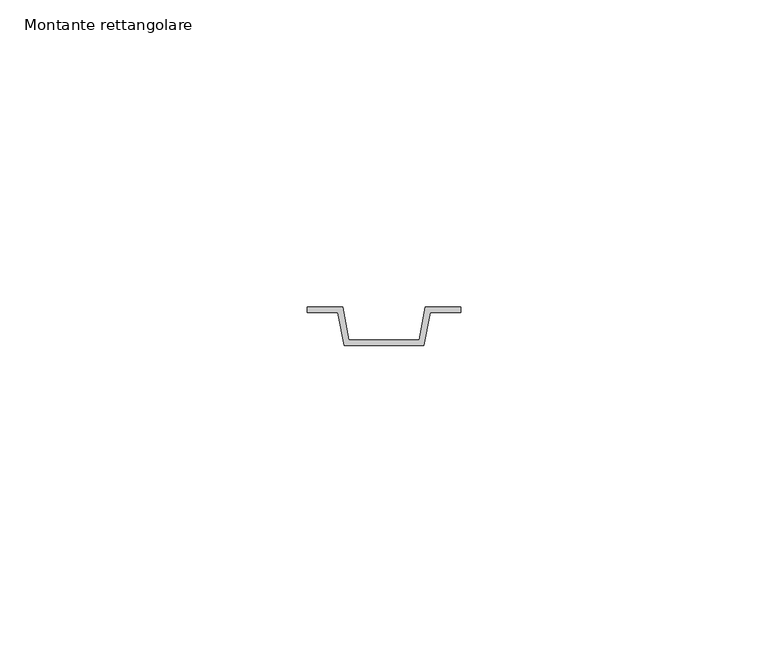
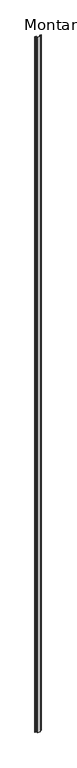
"""IFC4 building model written with IfcOpenShell, lengths in millimetres: member geometry, Montante rettangolare."""

from ifc_helpers import new_model, si_unit, frame, origin, place, context, project, spatial, polyline, outline, extrude, source, transform, mapped, element, save


def montante_rettangolare_3049d531(model_context):
    return source(origin(), model_context, "Body", "SweptSolid", [
        extrude(outline(polyline([(-6.7536795, -88.84375), (-5.7536795, -94.24375), (5.7536795, -94.24375), (6.7536795, -88.84375), (12.5, -88.84375), (12.5, -89.75625), (7.5, -89.75625), (6.5, -95.15625), (-6.5, -95.15625), (-7.5, -89.75625), (-12.5, -89.75625), (-12.5, -88.84375), (-6.7536795, -88.84375)])), frame((0.0, 0.0, -3000.0), z_axis=(0.0, 0.0, 1.0), x_axis=(1.0, 0.0, 0.0)), (0.0, 0.0, 1.0), 3000.0),
    ])


if __name__ == "__main__":
    model = new_model("IFC4")
    model_context = context("Model", 3, world=origin())
    ifc_project = project(units=[si_unit("LENGTHUNIT", "METRE", prefix="MILLI")], contexts=[model_context])
    site = spatial("IfcSite", under=ifc_project)
    building = spatial("IfcBuilding", under=site)
    placement = place(None, origin())
    montante_rettangolare_shape = montante_rettangolare_3049d531(model_context)
    element("IfcMember", 1, ObjectType="Montante rettangolare", at=placement, inside=building, context=model_context, shape_type="MappedRepresentation", body=[
        mapped(montante_rettangolare_shape, transform((0.0, 0.0, 0.0), x_axis=(1.0, 0.0, 0.0), y_axis=(0.0, 1.0, 0.0), z_axis=(0.0, 0.0, 1.0))),
    ])
    save(model, "model.ifc")
